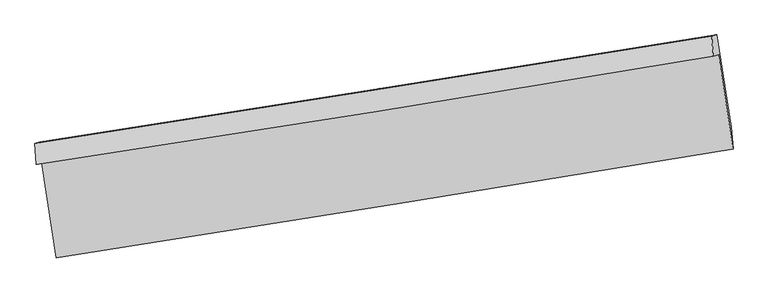
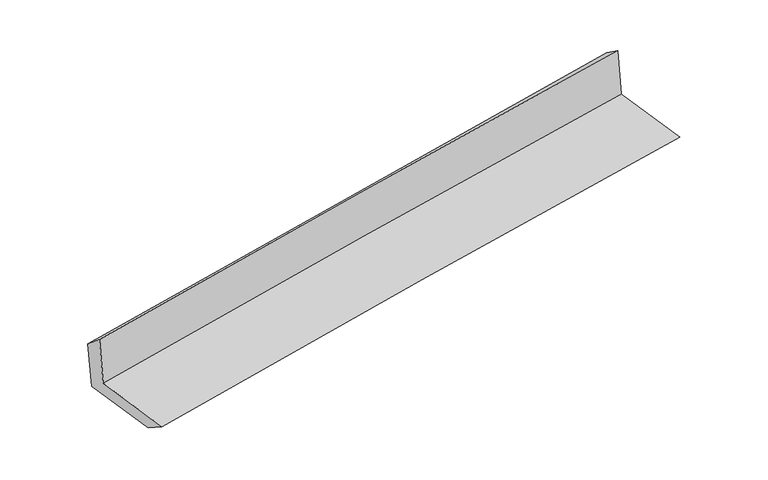
"""IFC4 building model written with IfcOpenShell, lengths in millimetres: proxy geometry."""

from ifc_helpers import new_model, si_unit, frame, origin, place, context, project, spatial, source, transform, mapped, element, save
from ifc_brep_helpers import plane_surface, spline_curve, spline_surface, advanced_brep


def generic_models_a635aaa4(model_context):
    return source(origin(), model_context, "Body", "AdvancedBrep", [
        advanced_brep(
        [(-2366.9519517, -1877.3833813, 1677.5912455), (-2265.1308574, -2535.6092899, 1662.9500808), (2415.8453816, -1778.3801082, 2078.2504115), (2315.0649413, -1124.671107, 2090.1326075), (-2403.2115775, -1888.1801264, 2076.4237028), (2279.4397718, -1137.945997, 2486.2642447), (-2413.7314747, -1742.6544072, 1953.4938167), (2267.5656476, -999.7465679, 2389.5382814), (-2378.6143186, -1732.1978464, 1567.2277871), (2303.1353444, -989.1552576, 1998.2945967), (-2280.7641373, -2368.3326812, 1558.9030517), (2401.3853716, -1628.4520686, 1989.9206156)],
        [
            (0, 1),
            (1, 2, spline_curve(3, [(-2265.1308574, -2535.6092899, 1662.9500808), (-1482.354625714, -2413.127983486, 1746.682582464), (-699.263614329, -2288.513974583, 1823.271394028), (861.066985316, -2036.069106527, 1961.587129533), (1638.301386933, -1908.273387984, 2023.431761381), (2415.8453816, -1778.3801082, 2078.2504115)], [4, 2, 4], [0.0, 7.841224177573117, 15.617579245707837])),
            (2, 3),
            (3, 0, spline_curve(3, [(2315.0649413, -1124.671107, 2090.1326075), (1537.536806768, -1255.580777128, 2036.621387146), (760.224365696, -1383.513513048, 1975.661193196), (-800.451545393, -1634.467478053, 1838.27220068), (-1583.811402102, -1757.438833492, 1761.718607167), (-2366.9519517, -1877.3833813, 1677.5912455)], [4, 2, 4], [0.0, 7.776355068134721, 15.617579245707837])),
            (4, 0),
            (3, 5),
            (5, 4, spline_curve(3, [(2279.4397718, -1137.945997, 2486.2642447), (1501.612537047, -1267.613043258, 2433.906999723), (724.09749175, -1394.717086514, 2373.749392851), (-836.791521588, -1644.83806811, 2237.266560448), (-1620.160259504, -1767.812068211, 2160.810653262), (-2403.2115775, -1888.1801264, 2076.4237028)], [4, 2, 4], [0.0, 7.776453927464815, 15.617777789036737])),
            (6, 4),
            (5, 7),
            (7, 6, spline_curve(3, [(2267.5656476, -999.7465679, 2389.5382814), (1490.714504439, -1125.667143623, 2320.867571105), (713.801448816, -1250.284707799, 2250.353793986), (-846.62988805, -1497.942483866, 2105.0365164), (-1630.149206533, -1620.96086596, 2030.202138746), (-2413.7314747, -1742.6544072, 1953.4938167)], [4, 2, 4], [0.0, 7.776054442889217, 15.616975487449146])),
            (8, 6),
            (7, 9),
            (9, 8, spline_curve(3, [(2303.1353444, -989.1552576, 1998.2945967), (1526.659135823, -1114.964191942, 1925.499847569), (749.896927193, -1239.536839737, 1853.32685202), (-810.681502392, -1487.238414249, 1709.627499171), (-1594.502514755, -1610.346629441, 1638.111558214), (-2378.6143186, -1732.1978464, 1567.2277871)], [4, 2, 4], [0.0, 7.775814454777813, 15.61649350928392])),
            (10, 8),
            (9, 11),
            (11, 10, spline_curve(3, [(2401.3853716, -1628.4520686, 1989.9206156), (1624.177172792, -1749.405747616, 1917.190753952), (847.014404339, -1871.279370544, 1845.054406738), (-713.7028598, -2117.890829342, 1701.3719422), (-1497.256594376, -2242.644077075, 1629.835768111), (-2280.7641373, -2368.3326812, 1558.9030517)], [4, 2, 4], [0.0, 7.7757308093778645, 15.616325520727484])),
            (1, 10),
            (11, 2),
        ],
        [
            spline_surface(3, 3, [[(-2366.9519517, -1877.3833813, 1677.5912455), (-1583.811402194, -1757.43883341, 1761.718607046), (-800.451545471, -1634.467477955, 1838.272200588), (760.224365773, -1383.513513145, 1975.661193288), (1537.536806709, -1255.580777177, 2036.621387077), (2315.0649413, -1124.671107, 2090.1326075)], [(-2333.011586905, -2096.792017482, 1672.710857249), (-1549.992476689, -1976.001883407, 1756.706598842), (-766.722235098, -1852.482976856, 1833.271931747), (793.838572294, -1601.03204424, 1970.969838698), (1571.125000136, -1473.144980771, 2032.224845212), (2348.658421418, -1342.574107394, 2086.171875512)], [(-2299.071222195, -2316.200653718, 1667.830469051), (-1516.173551269, -2194.564933456, 1751.694590692), (-732.992924724, -2070.498475768, 1828.271662895), (827.452778816, -1818.550575345, 1966.278484096), (1604.713193509, -1690.709184382, 2027.828303312), (2382.251901482, -1560.477107806, 2082.211143488)], [(-2265.1308574, -2535.6092899, 1662.9500808), (-1482.354625764, -2413.127983453, 1746.682582489), (-699.263614351, -2288.51397467, 1823.271394055), (861.066985337, -2036.06910644, 1961.587129506), (1638.301386936, -1908.273387977, 2023.431761447), (2415.8453816, -1778.3801082, 2078.2504115)]], [4, 4], [4, 2, 4], [0.0, 2.169392539113852], [0.0, 7.841224177573117, 15.617579245707837]),
            spline_surface(3, 3, [[(-2403.2115775, -1888.1801264, 2076.4237028), (-1620.160259374, -1767.812068156, 2160.81065337), (-836.791521579, -1644.838068221, 2237.266560445), (724.097491741, -1394.717086405, 2373.749392854), (1501.612536996, -1267.613043228, 2433.906999779), (2279.4397718, -1137.945997, 2486.2642447)], [(-2391.125035566, -1884.581211378, 1943.479550357), (-1608.043973647, -1764.354323252, 2027.779971252), (-824.678196223, -1641.381204803, 2104.2684405), (736.139783071, -1390.98256199, 2241.053326339), (1513.587293546, -1263.602287895, 2301.47846222), (2291.314828279, -1133.521033684, 2354.220365641)], [(-2379.038493634, -1880.982296322, 1810.535397943), (-1595.927687921, -1760.896578314, 1894.749289163), (-812.564870826, -1637.924341372, 1971.270320534), (748.182074442, -1387.248037561, 2108.357259803), (1525.562050158, -1259.59153251, 2169.049924637), (2303.189884821, -1129.096070316, 2222.176486559)], [(-2366.9519517, -1877.3833813, 1677.5912455), (-1583.811402194, -1757.43883341, 1761.718607046), (-800.451545471, -1634.467477955, 1838.272200588), (760.224365773, -1383.513513145, 1975.661193288), (1537.536806709, -1255.580777177, 2036.621387077), (2315.0649413, -1124.671107, 2090.1326075)]], [4, 4], [4, 2, 4], [0.0, 1.313431911665749], [0.0, 7.841323861571921, 15.617777789036737]),
            spline_surface(3, 3, [[(-2413.7314747, -1742.6544072, 1953.4938167), (-1630.149206544, -1620.960866083, 2030.2021387), (-846.629888052, -1497.942483895, 2105.036516439), (713.801448817, -1250.28470777, 2250.353793947), (1490.714504416, -1125.667143516, 2320.86757111), (2267.5656476, -999.7465679, 2389.5382814)], [(-2410.2248423, -1791.162980265, 1994.470445401), (-1626.819557487, -1669.911266772, 2073.738310258), (-843.350432546, -1546.907678659, 2149.113197774), (717.23346314, -1298.42883397, 2291.485660249), (1494.347181963, -1172.982443404, 2358.547380651), (2271.52368902, -1045.81304425, 2421.780269152)], [(-2406.7182099, -1839.671553335, 2035.447074099), (-1623.48990843, -1718.861667467, 2117.274481812), (-840.070977084, -1595.872873457, 2193.18987911), (720.665477418, -1346.572960205, 2332.617526552), (1497.979859449, -1220.297743341, 2396.227190237), (2275.48173038, -1091.87952065, 2454.022256948)], [(-2403.2115775, -1888.1801264, 2076.4237028), (-1620.160259374, -1767.812068156, 2160.81065337), (-836.791521579, -1644.838068221, 2237.266560445), (724.097491741, -1394.717086405, 2373.749392854), (1501.612536996, -1267.613043228, 2433.906999779), (2279.4397718, -1137.945997, 2486.2642447)]], [4, 4], [4, 2, 4], [0.0, 0.6367508219930738], [0.0, 7.840921044559929, 15.616975487449146]),
            spline_surface(3, 3, [[(-2378.6143186, -1732.1978464, 1567.2277871), (-1594.502514707, -1610.34662957, 1638.111558113), (-810.681502378, -1487.238414376, 1709.627499114), (749.89692718, -1239.536839611, 1853.326852076), (1526.659135861, -1114.964191861, 1925.499847558), (2303.1353444, -989.1552576, 1998.2945967)], [(-2390.320037328, -1735.683366676, 1695.983130323), (-1606.384745347, -1613.884708416, 1768.808418332), (-822.664297613, -1490.806437554, 1841.430504894), (737.865101049, -1243.119462337, 1985.669166038), (1514.677592027, -1118.53184242, 2057.289088739), (2291.278778781, -992.685694374, 2128.709158264)], [(-2402.025755972, -1739.168886924, 1824.738473477), (-1618.266975903, -1617.422787236, 1899.505278481), (-834.647092818, -1494.374460716, 1973.23351066), (725.833274948, -1246.702085045, 2118.011479986), (1502.69604825, -1122.099492957, 2189.078329928), (2279.422213219, -996.216131126, 2259.123719836)], [(-2413.7314747, -1742.6544072, 1953.4938167), (-1630.149206544, -1620.960866083, 2030.2021387), (-846.629888052, -1497.942483895, 2105.036516439), (713.801448817, -1250.28470777, 2250.353793947), (1490.714504416, -1125.667143516, 2320.86757111), (2267.5656476, -999.7465679, 2389.5382814)]], [4, 4], [4, 2, 4], [0.0, 1.3057406339455317], [0.0, 7.840679054506107, 15.61649350928392]),
            spline_surface(3, 3, [[(-2280.7641373, -2368.3326812, 1558.9030517), (-1497.256594367, -2242.644077149, 1629.835768116), (-713.702859765, -2117.890829351, 1701.371942156), (847.014404304, -1871.279370535, 1845.054406782), (1624.177172684, -1749.405747506, 1917.190753998), (2401.3853716, -1628.4520686, 1989.9206156)], [(-2313.380864378, -2156.28773625, 1561.677963506), (-1529.671901125, -2031.878261273, 1632.594364787), (-746.029073961, -1907.673357691, 1704.123794467), (814.641911938, -1660.698526892, 1847.811888538), (1591.671160434, -1537.925228967, 1919.96045186), (2368.635362558, -1415.353131609, 1992.711942642)], [(-2345.997591522, -1944.24279135, 1564.452875294), (-1562.087207949, -1821.112445446, 1635.352961442), (-778.355288183, -1697.455886036, 1706.875646803), (782.269419546, -1450.117683254, 1850.56937032), (1559.165148111, -1326.4447104, 1922.730149695), (2335.885353442, -1202.254194591, 1995.503269658)], [(-2378.6143186, -1732.1978464, 1567.2277871), (-1594.502514707, -1610.34662957, 1638.111558113), (-810.681502378, -1487.238414376, 1709.627499114), (749.89692718, -1239.536839611, 1853.326852076), (1526.659135861, -1114.964191861, 1925.499847558), (2303.1353444, -989.1552576, 1998.2945967)]], [4, 4], [4, 2, 4], [0.0, 2.095352997591464], [0.0, 7.8405947113496195, 15.616325520727484]),
            spline_surface(3, 3, [[(-2265.1308574, -2535.6092899, 1662.9500808), (-1482.354625764, -2413.127983453, 1746.682582489), (-699.263614351, -2288.51397467, 1823.271394055), (861.066985337, -2036.06910644, 1961.587129506), (1638.301386936, -1908.273387977, 2023.431761447), (2415.8453816, -1778.3801082, 2078.2504115)], [(-2270.341950722, -2479.850420349, 1628.267737764), (-1487.321948654, -2356.300014701, 1707.733644362), (-704.076696155, -2231.639592903, 1782.638243416), (856.38279166, -1981.139194478, 1922.742888592), (1633.593315496, -1855.317507808, 1988.018092286), (2411.025378244, -1728.404094988, 2048.807146189)], [(-2275.553043978, -2424.091550751, 1593.585394736), (-1492.289271478, -2299.472045902, 1668.784706243), (-708.889777961, -2174.765211118, 1742.005092795), (851.698597981, -1926.209282497, 1883.898647696), (1628.885244124, -1802.361627674, 1952.604423158), (2406.205374956, -1678.428081812, 2019.363880911)], [(-2280.7641373, -2368.3326812, 1558.9030517), (-1497.256594367, -2242.644077149, 1629.835768116), (-713.702859765, -2117.890829351, 1701.371942156), (847.014404304, -1871.279370535, 1845.054406782), (1624.177172684, -1749.405747506, 1917.190753998), (2401.3853716, -1628.4520686, 1989.9206156)]], [4, 4], [4, 2, 4], [0.0, 0.6767937193960443], [0.0, 7.840696849530887, 15.616528952118276]),
            plane_surface(frame((2330.4060764, -1276.391851, 2172.0667929), z_axis=(0.9842449864002273, 0.15003791905303576, 0.09354373090833681), x_axis=(-0.09050813449714432, -0.02694989903781245, 0.9955310043045865))),
            plane_surface(frame((-2351.4007195, -2024.0596221, 1749.4316141), z_axis=(-0.9842248076009902, -0.1501691613979428, -0.0935454492096354), x_axis=(-0.1528350463343736, 0.9880073263698691, 0.021976616014140454))),
        ],
        [
            (0, [[1, 2, 3, 4]]),
            (1, [[5, -4, 6, 7]]),
            (2, [[8, -7, 9, 10]]),
            (3, [[11, -10, 12, 13]]),
            (4, [[14, -13, 15, 16]]),
            (5, [[17, -16, 18, -2]]),
            (6, [[-12, -9, -6, -3, -18, -15]]),
            (7, [[-1, -5, -8, -11, -14, -17]]),
        ],
    ),
    ])


if __name__ == "__main__":
    model = new_model("IFC4")
    model_context = context("Model", 3, world=origin())
    ifc_project = project(units=[si_unit("LENGTHUNIT", "METRE", prefix="MILLI")], contexts=[model_context])
    site = spatial("IfcSite", under=ifc_project)
    building = spatial("IfcBuilding", under=site)
    placement = place(None, origin())
    generic_models_shape = generic_models_a635aaa4(model_context)
    element("IfcBuildingElementProxy", 1, Name="Generic Models", at=placement, inside=building, context=model_context, shape_type="MappedRepresentation", body=[
        mapped(generic_models_shape, transform((0.0, 0.0, 0.0), x_axis=(1.0, 0.0, 0.0), y_axis=(0.0, 1.0, 0.0), z_axis=(0.0, 0.0, 1.0))),
    ])
    save(model, "model.ifc")
